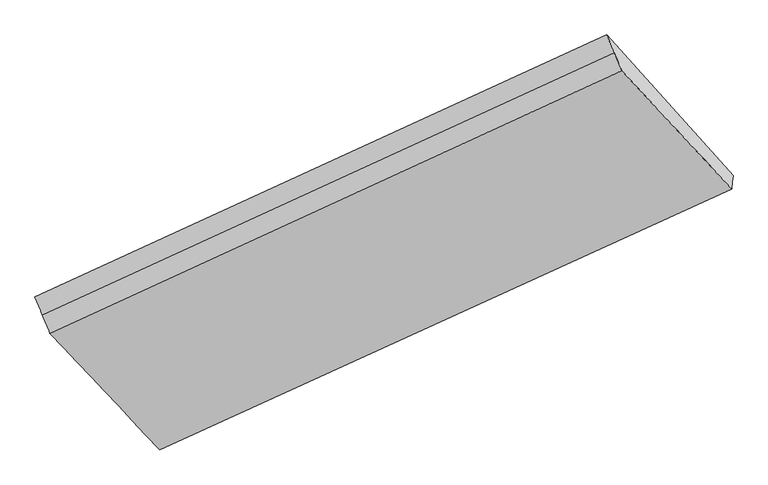
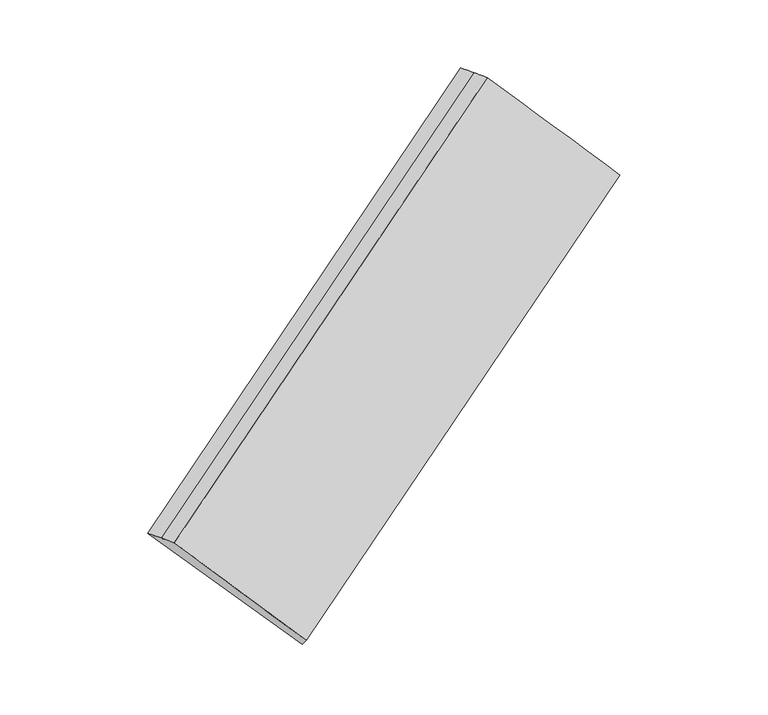
"""IFC4 building model written with IfcOpenShell, lengths in millimetres: proxy geometry."""

from ifc_helpers import new_model, si_unit, frame, origin, place, context, project, spatial, source, transform, mapped, element, save
from ifc_brep_helpers import plane_surface, spline_surface, advanced_brep


def generic_models_b11113d5(model_context):
    return source(origin(), model_context, "Body", "AdvancedBrep", [
        advanced_brep(
        [(-4445.1689275, -2871.1575593, 484.8556093), (-4440.5486048, -2831.1683134, 441.1465998), (-447.7889677, -994.6875947, 2542.0660694), (-453.2440871, -1041.9020686, 2593.6723911), (-5320.8814083, -1844.7713518, 1250.5414908), (-1329.9567353, -13.4834513, 3359.4812732), (-5268.3852841, -1971.341659, 1261.4670397), (-1277.2787553, -138.4797832, 3368.6864371), (-5215.8891599, -2097.9119661, 1272.3925886), (-1224.6007754, -263.4761152, 3377.8916011), (-4449.7892503, -2911.1468052, 528.5646188), (-458.6992064, -1089.1165425, 2645.2787127)],
        [
            (0, 1),
            (1, 2),
            (2, 3),
            (3, 0),
            (1, 4),
            (4, 5),
            (5, 2),
            (4, 6),
            (6, 7),
            (7, 5),
            (6, 8),
            (8, 9),
            (9, 7),
            (8, 10),
            (10, 11),
            (11, 9),
            (10, 0),
            (3, 11),
        ],
        [
            plane_surface(frame((-4442.8587662, -2851.1629364, 463.0011046), z_axis=(0.5675635853902096, -0.6364567011140712, -0.5222972756448231), x_axis=(0.07775451713731596, 0.6729712758467107, -0.7355704568224537))),
            spline_surface(1, 1, [[(-4440.5486048, -2831.1683134, 441.1465998), (-447.7889677, -994.6875947, 2542.0660694)], [(-5320.8814083, -1844.7713518, 1250.5414908), (-1329.9567353, -13.4834513, 3359.4812732)]], [2, 2], [2, 2], [0.0, 1.0], [0.0, 1.0]),
            spline_surface(1, 1, [[(-5320.8814083, -1844.7713518, 1250.5414908), (-1329.9567353, -13.4834513, 3359.4812732)], [(-5268.3852841, -1971.341659, 1261.4670397), (-1277.2787553, -138.4797832, 3368.6864371)]], [2, 2], [2, 2], [0.0, 1.0], [0.0, 1.0]),
            spline_surface(1, 1, [[(-5268.3852841, -1971.341659, 1261.4670397), (-1277.2787553, -138.4797832, 3368.6864371)], [(-5215.8891599, -2097.9119661, 1272.3925886), (-1224.6007754, -263.4761152, 3377.8916011)]], [2, 2], [2, 2], [0.0, 1.0], [0.0, 1.0]),
            spline_surface(1, 1, [[(-5215.8891599, -2097.9119661, 1272.3925886), (-1224.6007754, -263.4761152, 3377.8916011)], [(-4449.7892503, -2911.1468052, 528.5646188), (-458.6992064, -1089.1165425, 2645.2787127)]], [2, 2], [2, 2], [0.0, 1.0], [0.0, 1.0]),
            plane_surface(frame((-4447.4790889, -2891.1521823, 506.7101141), z_axis=(0.5675635853902092, -0.6364567011140736, -0.5222972756448206), x_axis=(0.07775451713731457, 0.672971275846707, -0.7355704568224574))),
            plane_surface(frame((-865.2614212, -590.1909259, 2981.1794141), z_axis=(0.8194254053778632, 0.3771235762020085, 0.4316477884733486), x_axis=(0.5700766811259886, -0.6145415725154666, -0.5452992144562427))),
            plane_surface(frame((-4856.7771058, -2421.2496091, 873.1613245), z_axis=(-0.8194254053778571, -0.3771235762020164, -0.43164778847335317), x_axis=(-0.07775451713731292, -0.6729712758467095, 0.7355704568224551))),
        ],
        [
            (0, [[1, 2, 3, 4]]),
            (1, [[5, 6, 7, -2]]),
            (2, [[8, 9, 10, -6]]),
            (3, [[11, 12, 13, -9]]),
            (4, [[14, 15, 16, -12]]),
            (5, [[17, -4, 18, -15]]),
            (6, [[-16, -18, -3, -7, -10, -13]]),
            (7, [[-17, -14, -11, -8, -5, -1]]),
        ],
    ),
    ])


if __name__ == "__main__":
    model = new_model("IFC4")
    model_context = context("Model", 3, world=origin())
    ifc_project = project(units=[si_unit("LENGTHUNIT", "METRE", prefix="MILLI")], contexts=[model_context])
    site = spatial("IfcSite", under=ifc_project)
    building = spatial("IfcBuilding", under=site)
    placement = place(None, origin())
    generic_models_shape = generic_models_b11113d5(model_context)
    element("IfcBuildingElementProxy", 1, Name="Generic Models", at=placement, inside=building, context=model_context, shape_type="MappedRepresentation", body=[
        mapped(generic_models_shape, transform((0.0, 0.0, 0.0), x_axis=(1.0, 0.0, 0.0), y_axis=(0.0, 1.0, 0.0), z_axis=(0.0, 0.0, 1.0))),
    ])
    save(model, "model.ifc")
